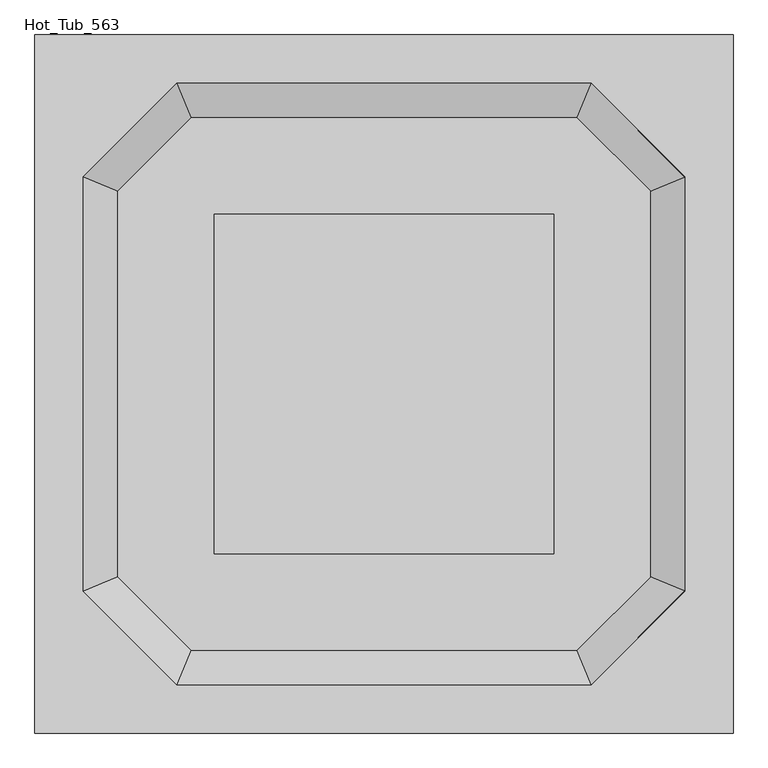
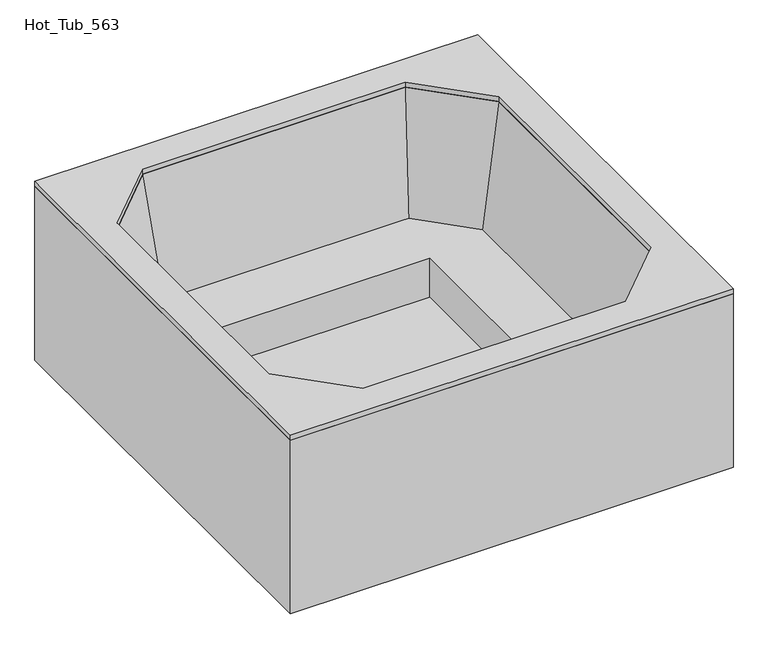
"""IFC4 building model written with IfcOpenShell, lengths in millimetres: flow terminal geometry, Hot_Tub_563."""

from ifc_helpers import new_model, si_unit, frame, origin, origin_with_axes, place, context, project, spatial, polyline, outline, extrude, faceted_brep, source, transform, mapped, element, save


def hot_tub_563_6f536405(model_context):
    return source(origin(), model_context, "Body", "SolidModel", [
        extrude(outline(polyline([(536.5009531, 536.1689168), (536.5009531, -536.1689168), (-536.1689168, -536.1689168), (-536.1689168, 536.1689168), (536.5009531, 536.1689168)])), frame((0.0, 0.0, 75.5267346), z_axis=(0.0, 0.0, 1.0), x_axis=(1.0, 0.0, 0.0)), (0.0, 0.0, 1.0), 25.4),
        extrude(outline(polyline([(841.3009531, 608.4277013), (841.3009531, -608.4277013), (608.7597376, -840.9689168), (-608.7597376, -840.9689168), (-840.9689168, -608.7597376), (-840.9689168, 608.7597376), (-608.7597376, 840.9689168), (608.7597376, 840.9689168), (841.3009531, 608.4277013)]), holes=[polyline([(-536.1689168, 536.1689168), (-536.1689168, -536.1689168), (536.5009531, -536.1689168), (536.5009531, 536.1689168), (-536.1689168, 536.1689168)])]), frame((0.0, 0.0, 100.9267346), z_axis=(0.0, 0.0, 1.0), x_axis=(1.0, 0.0, 0.0)), (0.0, 0.0, 1.0), 203.8732654),
        faceted_brep([(949.325, -653.1727266, 914.4), (841.3009531, -608.4277013, 301.7651865), (608.7597376, -840.9689168, 301.7651865), (653.5047629, -948.9929637, 914.4), (974.725, -663.6937511, 914.4), (664.0257874, -974.3929637, 914.4), (866.7009531, -618.9487258, 301.7651865), (619.2807621, -866.3689168, 301.7651865), (-608.7597376, -840.9689168, 301.7651865), (-653.5047629, -948.9929637, 914.4), (-664.0257874, -974.3929637, 914.4), (-619.2807621, -866.3689168, 301.7651865), (-840.9689168, -608.7597376, 301.7651865), (-948.9929637, -653.5047629, 914.4), (-974.3929637, -664.0257874, 914.4), (-866.3689168, -619.2807621, 301.7651865), (-840.9689168, 608.7597376, 301.7651865), (-948.9929637, 653.5047629, 914.4), (-974.3929637, 664.0257874, 914.4), (-866.3689168, 619.2807621, 301.7651865), (-608.7597376, 840.9689168, 301.7651865), (-653.5047629, 948.9929637, 914.4), (-664.0257874, 974.3929637, 914.4), (-619.2807621, 866.3689168, 301.7651865), (608.7597376, 840.9689168, 301.7651865), (653.5047629, 948.9929637, 914.4), (664.0257874, 974.3929637, 914.4), (619.2807621, 866.3689168, 301.7651865), (841.3009531, 608.4277013, 301.7651865), (949.325, 653.1727266, 914.4), (974.725, 663.6937511, 914.4), (866.7009531, 618.9487258, 301.7651865)], [[[0, 1, 2, 3]], [[4, 0, 3, 5]], [[6, 4, 5, 7]], [[1, 6, 7, 2]], [[3, 2, 8, 9]], [[5, 3, 9, 10]], [[7, 5, 10, 11]], [[2, 7, 11, 8]], [[9, 8, 12, 13]], [[10, 9, 13, 14]], [[11, 10, 14, 15]], [[8, 11, 15, 12]], [[13, 12, 16, 17]], [[14, 13, 17, 18]], [[15, 14, 18, 19]], [[12, 15, 19, 16]], [[17, 16, 20, 21]], [[18, 17, 21, 22]], [[19, 18, 22, 23]], [[16, 19, 23, 20]], [[21, 20, 24, 25]], [[22, 21, 25, 26]], [[23, 22, 26, 27]], [[20, 23, 27, 24]], [[25, 24, 28, 29]], [[26, 25, 29, 30]], [[27, 26, 30, 31]], [[24, 27, 31, 28]], [[29, 28, 1, 0]], [[30, 29, 0, 4]], [[31, 30, 4, 6]], [[28, 31, 6, 1]]]),
        extrude(outline(polyline([(1101.725, -1101.725), (-1101.725, -1101.725), (-1101.725, 1101.725), (1101.725, 1101.725), (1101.725, -1101.725)]), holes=[polyline([(653.616252, -949.325), (949.325, -653.616252), (949.325, 653.616252), (653.616252, 949.325), (-653.616252, 949.325), (-949.325, 653.616252), (-949.325, -653.616252), (-653.616252, -949.325), (653.616252, -949.325)])]), frame((0.0, 0.0, 914.4), z_axis=(0.0, 0.0, 1.0), x_axis=(1.0, 0.0, 0.0)), (0.0, 0.0, 1.0), 25.4),
        extrude(outline(polyline([(1101.725, -1101.725), (-1101.725, -1101.725), (-1101.725, 1101.725), (1101.725, 1101.725), (1101.725, -1101.725)]), holes=[polyline([(1069.975, -1069.975), (1069.975, 1069.975), (-1069.975, 1069.975), (-1069.975, -1069.975), (1069.975, -1069.975)])]), origin_with_axes(), (0.0, 0.0, 1.0), 914.4),
    ])


if __name__ == "__main__":
    model = new_model("IFC4")
    model_context = context("Model", 3, world=origin())
    ifc_project = project(units=[si_unit("LENGTHUNIT", "METRE", prefix="MILLI")], contexts=[model_context])
    site = spatial("IfcSite", under=ifc_project)
    building = spatial("IfcBuilding", under=site)
    placement = place(None, origin())
    hot_tub_563_shape = hot_tub_563_6f536405(model_context)
    element("IfcFlowTerminal", 1, ObjectType="Hot_Tub_563", at=placement, inside=building, context=model_context, shape_type="MappedRepresentation", body=[
        mapped(hot_tub_563_shape, transform((0.0, 0.0, 0.0), x_axis=(1.0, 0.0, 0.0), y_axis=(0.0, 1.0, 0.0), z_axis=(0.0, 0.0, 1.0))),
    ])
    save(model, "model.ifc")
